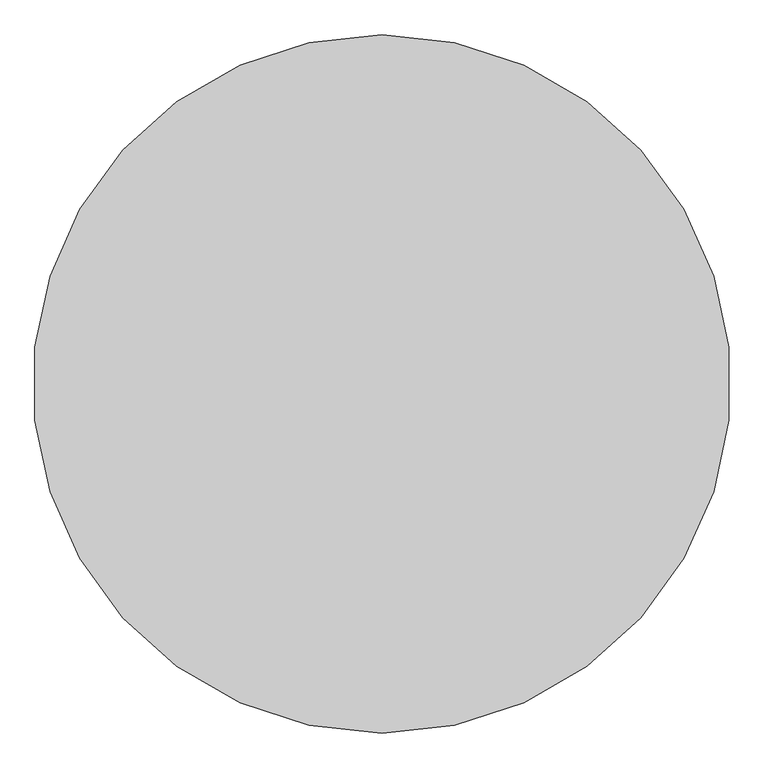
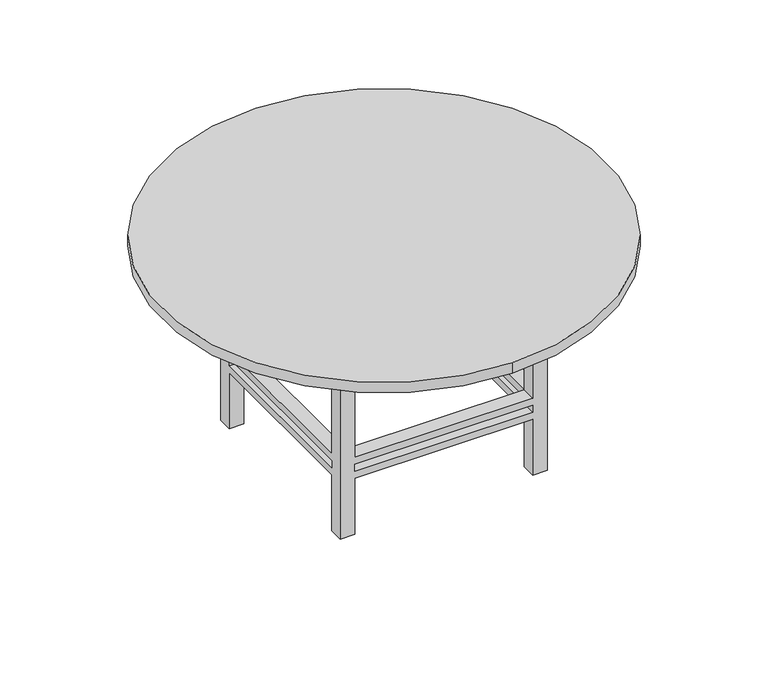
"""IFC4 building model written with IfcOpenShell, lengths in millimetres: furniture geometry."""

from ifc_helpers import new_model, si_unit, point, frame, frame_2d, origin, place, context, project, spatial, polyline, circle_curve, trimmed, segment, composite_curve, outline, extrude, faceted_brep, source, transform, mapped, element, save


def furniture_e8096f67(model_context):
    return source(origin(), model_context, "Body", "SolidModel", [
        faceted_brep([(-201.3680328, 170.9713115, 647.7), (-252.1680328, 170.9713115, 647.7), (-252.1680328, 120.1713115, 647.7), (-201.3680328, 120.1713115, 647.7), (408.7319672, 170.9713115, 647.7), (408.7319672, 120.1713115, 647.7), (459.5319672, 120.1713115, 647.7), (459.5319672, 170.9713115, 647.7), (408.7319672, -540.7286885, 647.7), (459.5319672, -540.7286885, 647.7), (459.5319672, -489.9286885, 647.7), (408.7319672, -489.9286885, 647.7), (-201.3680328, -540.7286885, 647.7), (-201.3680328, -489.9286885, 647.7), (-252.1680328, -489.9286885, 647.7), (-252.1680328, -540.7286885, 647.7), (-201.3680328, 170.9713115, 0.0), (-201.3680328, 120.1713115, 0.0), (-252.1680328, 120.1713115, 0.0), (-252.1680328, 170.9713115, 0.0), (408.7319672, 170.9713115, 0.0), (459.5319672, 170.9713115, 0.0), (459.5319672, 120.1713115, 0.0), (408.7319672, 120.1713115, 0.0), (408.7319672, -540.7286885, 0.0), (408.7319672, -489.9286885, 0.0), (459.5319672, -489.9286885, 0.0), (459.5319672, -540.7286885, 0.0), (-201.3680328, -540.7286885, 0.0), (-252.1680328, -540.7286885, 0.0), (-252.1680328, -489.9286885, 0.0), (-201.3680328, -489.9286885, 0.0), (-201.3680328, 170.9713115, 279.4), (408.7319672, 170.9713115, 279.4), (408.7319672, 170.9713115, 203.2), (-201.3680328, 170.9713115, 203.2), (408.7319672, 170.9713115, 228.6), (408.7319672, 170.9713115, 254.0), (-201.3680328, 170.9713115, 254.0), (-201.3680328, 170.9713115, 228.6), (-252.1680328, 120.1713115, 203.2), (-252.1680328, -489.9286885, 203.2), (-252.1680328, -489.9286885, 279.4), (-252.1680328, 120.1713115, 279.4), (-252.1680328, 120.1713115, 228.6), (-252.1680328, 120.1713115, 254.0), (-252.1680328, -489.9286885, 254.0), (-252.1680328, -489.9286885, 228.6), (-201.3680328, 120.1713115, 279.4), (-201.3680328, 120.1713115, 203.2), (-201.3680328, 120.1713115, 228.6), (-201.3680328, 120.1713115, 254.0), (408.7319672, 120.1713115, 279.4), (408.7319672, 120.1713115, 203.2), (408.7319672, 120.1713115, 228.6), (408.7319672, 120.1713115, 254.0), (459.5319672, 120.1713115, 279.4), (459.5319672, 120.1713115, 203.2), (459.5319672, 120.1713115, 228.6), (459.5319672, 120.1713115, 254.0), (459.5319672, -489.9286885, 279.4), (459.5319672, -489.9286885, 203.2), (459.5319672, -489.9286885, 228.6), (459.5319672, -489.9286885, 254.0), (408.7319672, -540.7286885, 279.4), (-201.3680328, -540.7286885, 279.4), (-201.3680328, -540.7286885, 203.2), (408.7319672, -540.7286885, 203.2), (-201.3680328, -540.7286885, 228.6), (-201.3680328, -540.7286885, 254.0), (408.7319672, -540.7286885, 254.0), (408.7319672, -540.7286885, 228.6), (408.7319672, -489.9286885, 279.4), (408.7319672, -489.9286885, 203.2), (408.7319672, -489.9286885, 228.6), (408.7319672, -489.9286885, 254.0), (-201.3680328, -489.9286885, 279.4), (-201.3680328, -489.9286885, 203.2), (-201.3680328, -489.9286885, 228.6), (-201.3680328, -489.9286885, 254.0)], [[[0, 1, 2, 3]], [[4, 5, 6, 7]], [[8, 9, 10, 11]], [[12, 13, 14, 15]], [[16, 17, 18, 19]], [[20, 21, 22, 23]], [[24, 25, 26, 27]], [[28, 29, 30, 31]], [[1, 0, 32, 33, 4, 7, 21, 20, 34, 35, 16, 19], [36, 37, 38, 39]], [[2, 1, 19, 18, 40, 41, 30, 29, 15, 14, 42, 43], [44, 45, 46, 47]], [[3, 2, 43, 48]], [[18, 17, 49, 40]], [[44, 50, 51, 45]], [[0, 3, 48, 32]], [[17, 16, 35, 49]], [[50, 39, 38, 51]], [[5, 4, 33, 52]], [[20, 23, 53, 34]], [[36, 54, 55, 37]], [[6, 5, 52, 56]], [[23, 22, 57, 53]], [[54, 58, 59, 55]], [[21, 7, 6, 56, 60, 10, 9, 27, 26, 61, 57, 22], [62, 63, 59, 58]], [[27, 9, 8, 64, 65, 12, 15, 29, 28, 66, 67, 24], [68, 69, 70, 71]], [[11, 10, 60, 72]], [[26, 25, 73, 61]], [[62, 74, 75, 63]], [[8, 11, 72, 64]], [[25, 24, 67, 73]], [[74, 71, 70, 75]], [[13, 12, 65, 76]], [[28, 31, 77, 66]], [[68, 78, 79, 69]], [[14, 13, 76, 42]], [[31, 30, 41, 77]], [[78, 47, 46, 79]], [[54, 74, 62, 58]], [[74, 78, 68, 71]], [[78, 50, 44, 47]], [[50, 54, 36, 39]], [[53, 49, 35, 34]], [[49, 77, 41, 40]], [[77, 73, 67, 66]], [[73, 53, 57, 61]], [[74, 54, 53, 73]], [[78, 74, 73, 77]], [[50, 78, 77, 49]], [[54, 50, 49, 53]], [[52, 72, 60, 56]], [[72, 76, 65, 64]], [[76, 48, 43, 42]], [[48, 52, 33, 32]], [[55, 51, 38, 37]], [[51, 79, 46, 45]], [[79, 75, 70, 69]], [[75, 55, 59, 63]], [[72, 52, 55, 75]], [[76, 72, 75, 79]], [[48, 76, 79, 51]], [[52, 48, 51, 55]]]),
        extrude(outline(polyline([(484.9319672, 196.3713115), (484.9319672, -566.1286885), (-277.5680328, -566.1286885), (-277.5680328, 196.3713115), (484.9319672, 196.3713115)]), holes=[polyline([(459.5319672, 170.9713115), (-252.1680328, 170.9713115), (-252.1680328, -540.7286885), (459.5319672, -540.7286885), (459.5319672, 170.9713115)])]), frame((0.0, 0.0, 647.7), z_axis=(0.0, 0.0, 1.0), x_axis=(1.0, 0.0, 0.0)), (0.0, 0.0, 1.0), 76.2),
        extrude(outline(composite_curve([segment(trimmed(circle_curve(frame_2d((103.6819672, -184.8786885)), 762.5), [point((103.6819672, -947.3786885))], [point((103.6819672, 577.6213115))], False, "CARTESIAN"), True, "CONTINUOUS"), segment(trimmed(circle_curve(frame_2d((103.6819672, -184.8786885)), 762.5), [point((103.6819672, 577.6213115))], [point((103.6819672, -947.3786885))], False, "CARTESIAN"), True, "CONTINUOUS")], self_intersect=False)), frame((0.0, 0.0, 723.9), z_axis=(0.0, 0.0, 1.0), x_axis=(1.0, 0.0, 0.0)), (0.0, 0.0, 1.0), 38.1),
    ])


if __name__ == "__main__":
    model = new_model("IFC4")
    model_context = context("Model", 3, world=origin())
    ifc_project = project(units=[si_unit("LENGTHUNIT", "METRE", prefix="MILLI")], contexts=[model_context])
    site = spatial("IfcSite", under=ifc_project)
    building = spatial("IfcBuilding", under=site)
    placement = place(None, origin())
    furniture_shape = furniture_e8096f67(model_context)
    element("IfcFurniture", 1, at=placement, inside=building, context=model_context, shape_type="MappedRepresentation", body=[
        mapped(furniture_shape, transform((0.0, 0.0, 0.0), x_axis=(1.0, 0.0, 0.0), y_axis=(0.0, 1.0, 0.0), z_axis=(0.0, 0.0, 1.0))),
    ])
    save(model, "model.ifc")
